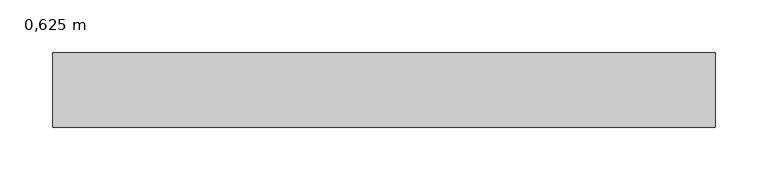
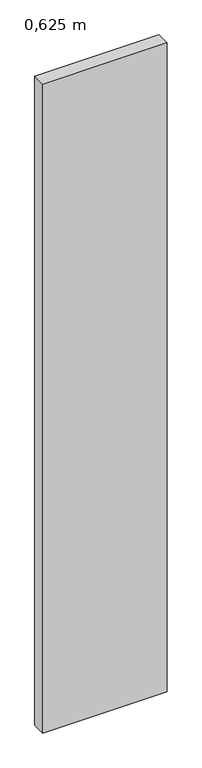
"""IFC4 building model written with IfcOpenShell, lengths in millimetres: furniture geometry, 0,625 m."""

from ifc_helpers import new_model, si_unit, origin, origin_with_axes, place, context, project, spatial, polyline, outline, extrude, source, transform, mapped, element, save


def furniture_0_625_m_d32dbf05(model_context):
    return source(origin(), model_context, "Body", "SweptSolid", [
        extrude(outline(polyline([(437.5, 290.0), (-187.5, 290.0), (-187.5, 360.0), (437.5, 360.0), (437.5, 290.0)])), origin_with_axes(), (0.0, 0.0, 1.0), 3450.0),
    ])


if __name__ == "__main__":
    model = new_model("IFC4")
    model_context = context("Model", 3, world=origin())
    ifc_project = project(units=[si_unit("LENGTHUNIT", "METRE", prefix="MILLI")], contexts=[model_context])
    site = spatial("IfcSite", under=ifc_project)
    building = spatial("IfcBuilding", under=site)
    placement = place(None, origin())
    furniture_0_625_m_shape = furniture_0_625_m_d32dbf05(model_context)
    element("IfcFurniture", 1, ObjectType="0,625 m", at=placement, inside=building, context=model_context, shape_type="MappedRepresentation", body=[
        mapped(furniture_0_625_m_shape, transform((0.0, 0.0, 0.0), x_axis=(1.0, 0.0, 0.0), y_axis=(0.0, 1.0, 0.0), z_axis=(0.0, 0.0, 1.0))),
    ])
    save(model, "model.ifc")
